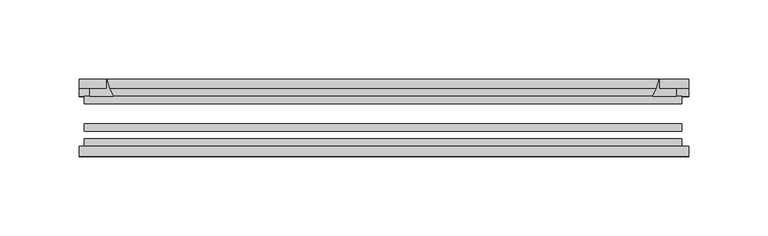
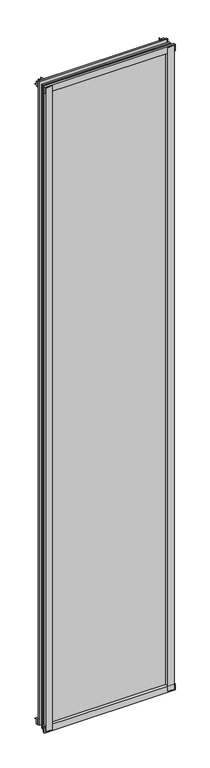
"""IFC4 building model written with IfcOpenShell, lengths in millimetres: plate geometry."""

from ifc_helpers import new_model, si_unit, point, frame, frame_2d, origin, place, context, project, spatial, polyline, circle_curve, trimmed, segment, composite_curve, outline, extrude, source, transform, mapped, element, save


def plate_1de92f45(model_context):
    return source(origin(), model_context, "Body", "SweptSolid", [
        extrude(outline(composite_curve([segment(polyline([(-188.865813, -78.7828625), (-167.4446117, -78.7828625)]), True, "CONTINUOUS"), segment(trimmed(circle_curve(frame_2d((-159.8074461, -84.652782)), 9.6323545), [point((-167.4446117, -78.7828625))], [point((-169.4278294, -85.1328625))], True, "CARTESIAN"), True, "CONTINUOUS"), segment(polyline([(-169.4278294, -85.1328625), (-188.865813, -85.1328625), (-188.865813, -78.7828625)]), True, "CONTINUOUS")], self_intersect=False)), frame((0.0, 0.0, -14.2875), z_axis=(0.0, 0.0, 1.0), x_axis=(1.0, 0.0, 0.0)), (0.0, 0.0, 1.0), 2009.775),
        extrude(outline(composite_curve([segment(polyline([(191.4477195, -78.7828625), (191.4477195, -85.1328625), (171.9678294, -85.1328625)]), True, "CONTINUOUS"), segment(trimmed(circle_curve(frame_2d((162.3474461, -84.652782)), 9.6323545), [point((171.9678294, -85.1328625))], [point((169.9846117, -78.7828625))], True, "CARTESIAN"), True, "CONTINUOUS"), segment(polyline([(169.9846117, -78.7828625), (191.4477195, -78.7828625)]), True, "CONTINUOUS")], self_intersect=False)), frame((0.0, 0.0, -14.2875), z_axis=(0.0, 0.0, 1.0), x_axis=(1.0, 0.0, 0.0)), (0.0, 0.0, 1.0), 2009.775),
        extrude(outline(composite_curve([segment(polyline([(-47.1852625, -14.2875), (-47.1852625, 3.9588469)]), True, "CONTINUOUS"), segment(trimmed(circle_curve(frame_2d((-30.6824422, 32.267054)), 32.7673262), [point((-47.1852625, 3.9588469))], [point((-36.3503395, -0.00635))], True, "CARTESIAN"), True, "CONTINUOUS"), segment(polyline([(-36.3503395, -0.00635), (-42.2830625, -0.00635), (-42.2830625, -14.2875), (-47.1852625, -14.2875)]), True, "CONTINUOUS")], self_intersect=False)), frame((-192.040813, 0.0, 0.0), z_axis=(1.0, 0.0, 0.0), x_axis=(0.0, 1.0, 0.0)), (0.0, 0.0, 1.0), 385.4706884),
        extrude(outline(composite_curve([segment(polyline([(-78.7828625, -16.8821065), (-85.1328625, -16.8821065), (-85.1328625, 2.5977835)]), True, "CONTINUOUS"), segment(trimmed(circle_curve(frame_2d((-84.652782, 12.2181669)), 9.6323545), [point((-85.1328625, 2.5977835))], [point((-78.7828625, 4.5810013))], True, "CARTESIAN"), True, "CONTINUOUS"), segment(polyline([(-78.7828625, 4.5810013), (-78.7828625, -16.8821065)]), True, "CONTINUOUS")], self_intersect=False)), frame((-192.040813, 0.0, 0.0), z_axis=(1.0, 0.0, 0.0), x_axis=(0.0, 1.0, 0.0)), (0.0, 0.0, 1.0), 385.4706884),
        extrude(outline(composite_curve([segment(polyline([(-47.1852625, 1977.2284531), (-47.1852625, 1991.9002564), (-42.2830625, 1991.9002564), (-42.2830625, 1981.2), (-36.3140625, 1981.2)]), True, "CONTINUOUS"), segment(trimmed(circle_curve(frame_2d((-30.6824422, 1948.920246)), 32.7673262), [point((-36.3140625, 1981.2))], [point((-47.1852625, 1977.2284531))], True, "CARTESIAN"), True, "CONTINUOUS")], self_intersect=False)), frame((-192.040813, 0.0, 0.0), z_axis=(1.0, 0.0, 0.0), x_axis=(0.0, 1.0, 0.0)), (0.0, 0.0, 1.0), 385.4706884),
        extrude(outline(composite_curve([segment(polyline([(-78.7828625, 1998.0694065), (-78.7828625, 1976.6062987)]), True, "CONTINUOUS"), segment(trimmed(circle_curve(frame_2d((-84.652782, 1968.9691331)), 9.6323545), [point((-78.7828625, 1976.6062987))], [point((-85.1328625, 1978.5895165))], True, "CARTESIAN"), True, "CONTINUOUS"), segment(polyline([(-85.1328625, 1978.5895165), (-85.1328625, 1998.0694065), (-78.7828625, 1998.0694065)]), True, "CONTINUOUS")], self_intersect=False)), frame((-192.040813, 0.0, 0.0), z_axis=(1.0, 0.0, 0.0), x_axis=(0.0, 1.0, 0.0)), (0.0, 0.0, 1.0), 385.4706884),
        extrude(outline(composite_curve([segment(trimmed(circle_curve(frame_2d((142.298559, -30.6824422)), 32.7673262), [point((170.606766, -47.1852625))], [point((174.578313, -36.3140625))], True, "CARTESIAN"), True, "CONTINUOUS"), segment(polyline([(174.578313, -36.3140625), (174.578313, -42.2830625), (185.2786783, -42.2830625), (185.2786783, -47.1852625), (170.606766, -47.1852625)]), True, "CONTINUOUS")], self_intersect=False)), frame((0.0, 0.0, -14.2875), z_axis=(0.0, 0.0, 1.0), x_axis=(1.0, 0.0, 0.0)), (0.0, 0.0, 1.0), 2009.775),
        extrude(outline(composite_curve([segment(polyline([(-170.606766, -47.1852625), (-185.2735222, -47.1852625), (-185.2735222, -42.2830625), (-174.578313, -42.2830625), (-174.578313, -36.3140625)]), True, "CONTINUOUS"), segment(trimmed(circle_curve(frame_2d((-142.298559, -30.6824422)), 32.7673262), [point((-174.578313, -36.3140625))], [point((-170.606766, -47.1852625))], True, "CARTESIAN"), True, "CONTINUOUS")], self_intersect=False)), frame((0.0, 0.0, -14.2875), z_axis=(0.0, 0.0, 1.0), x_axis=(1.0, 0.0, 0.0)), (0.0, 0.0, 1.0), 2009.775),
        extrude(outline(polyline([(188.865813, -64.6604625), (188.865813, -69.4356625), (-188.865813, -69.4356625), (-188.865813, -64.6604625), (188.865813, -64.6604625)])), frame((0.0, 0.0, -14.2875), z_axis=(0.0, 0.0, 1.0), x_axis=(1.0, 0.0, 0.0)), (0.0, 0.0, 1.0), 2009.775),
        extrude(outline(polyline([(-188.865813, -78.7828625), (-188.865813, -74.0076625), (188.865813, -74.0076625), (188.865813, -78.7828625), (-188.865813, -78.7828625)])), frame((0.0, 0.0, -14.2875), z_axis=(0.0, 0.0, 1.0), x_axis=(1.0, 0.0, 0.0)), (0.0, 0.0, 1.0), 2009.775),
        extrude(outline(polyline([(-188.865813, -47.1852625), (188.865813, -47.1852625), (188.865813, -51.9604625), (-188.865813, -51.9604625), (-188.865813, -47.1852625)])), frame((0.0, 0.0, -14.2875), z_axis=(0.0, 0.0, 1.0), x_axis=(1.0, 0.0, 0.0)), (0.0, 0.0, 1.0), 2009.775),
    ])


if __name__ == "__main__":
    model = new_model("IFC4")
    model_context = context("Model", 3, world=origin())
    ifc_project = project(units=[si_unit("LENGTHUNIT", "METRE", prefix="MILLI")], contexts=[model_context])
    site = spatial("IfcSite", under=ifc_project)
    building = spatial("IfcBuilding", under=site)
    placement = place(None, origin())
    plate_shape = plate_1de92f45(model_context)
    element("IfcPlate", 1, at=placement, inside=building, context=model_context, shape_type="MappedRepresentation", body=[
        mapped(plate_shape, transform((0.0, 0.0, 0.0), x_axis=(1.0, 0.0, 0.0), y_axis=(0.0, 1.0, 0.0), z_axis=(0.0, 0.0, 1.0))),
    ])
    save(model, "model.ifc")
